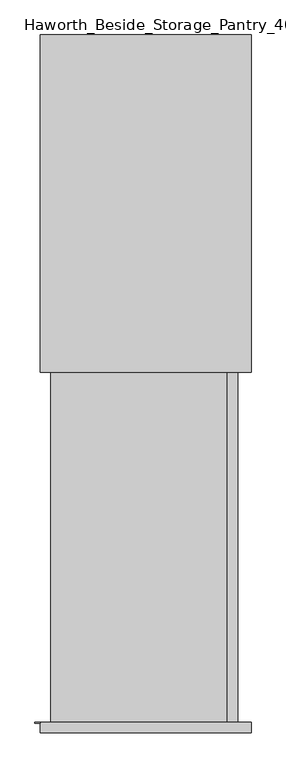
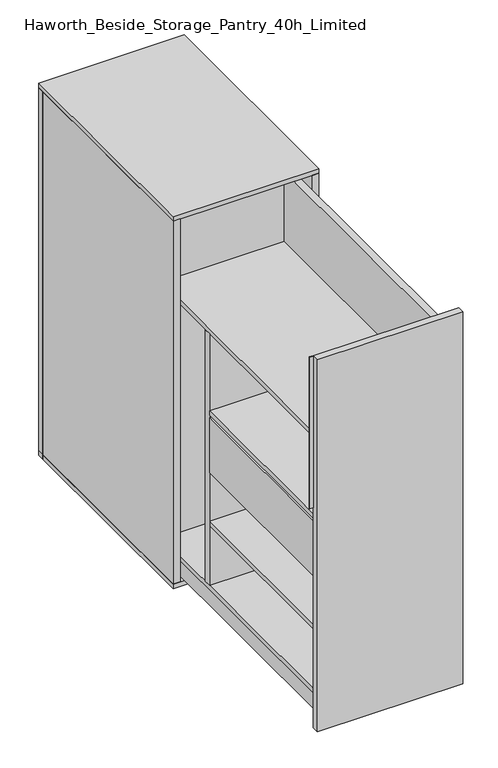
"""IFC4 building model written with IfcOpenShell, lengths in millimetres: furniture geometry, Haworth_Beside_Storage_Pantry_40h_Limited."""

from ifc_helpers import new_model, si_unit, frame, origin, origin_with_axes, place, context, project, spatial, polyline, outline, extrude, source, transform, mapped, element, save


def haworth_beside_storage_pantry_40h_limited_c2f7b44b(model_context):
    return source(origin(), model_context, "Body", "SweptSolid", [
        extrude(outline(polyline([(140.1283834, -736.6), (140.1283834, -1238.25), (-179.0267264, -1238.25), (-179.0267264, -736.6), (140.1283834, -736.6)])), frame((0.0, 0.0, 393.8689694), z_axis=(0.0, 0.0, 1.0), x_axis=(1.0, 0.0, 0.0)), (0.0, 0.0, 1.0), 152.4),
        extrude(outline(polyline([(140.1283834, -736.6), (140.1283834, -1238.25), (-179.0267264, -1238.25), (-179.0267264, -736.6), (140.1283834, -736.6)])), frame((0.0, 0.0, 552.6189694), z_axis=(0.0, 0.0, 1.0), x_axis=(1.0, 0.0, 0.0)), (0.0, 0.0, 1.0), 12.7),
        extrude(outline(polyline([(-179.0267264, -717.55), (140.1283834, -717.55), (140.1283834, -736.6), (-179.0267264, -736.6), (-179.0267264, -717.55)])), frame((0.0, 0.0, 82.55), z_axis=(0.0, 0.0, 1.0), x_axis=(1.0, 0.0, 0.0)), (0.0, 0.0, 1.0), 695.8955106),
        extrude(outline(polyline([(-207.9518975, -1238.25), (-198.0767264, -1238.25), (-198.0767264, -1239.9927284), (-207.9518975, -1239.9927284), (-207.9518975, -1238.25)])), frame((0.0, 0.0, 609.6), z_axis=(0.0, 0.0, 1.0), x_axis=(1.0, 0.0, 0.0)), (0.0, 0.0, 1.0), 419.1),
        extrude(outline(polyline([(140.1283834, -520.7), (140.1283834, -1238.25), (-179.0267264, -1238.25), (-179.0267264, -520.7), (140.1283834, -520.7)])), frame((0.0, 0.0, 69.85), z_axis=(0.0, 0.0, 1.0), x_axis=(1.0, 0.0, 0.0)), (0.0, 0.0, 1.0), 12.7),
        extrude(outline(polyline([(140.1283834, -736.6), (140.1283834, -1238.25), (-179.0267264, -1238.25), (-179.0267264, -736.6), (140.1283834, -736.6)])), frame((0.0, 0.0, 247.8189694), z_axis=(0.0, 0.0, 1.0), x_axis=(1.0, 0.0, 0.0)), (0.0, 0.0, 1.0), 12.7),
        extrude(outline(polyline([(140.1283834, -520.7), (140.1283834, -1238.25), (-179.0267264, -1238.25), (-179.0267264, -520.7), (140.1283834, -520.7)])), frame((0.0, 0.0, 778.4455106), z_axis=(0.0, 0.0, 1.0), x_axis=(1.0, 0.0, 0.0)), (0.0, 0.0, 1.0), 12.7),
        extrude(outline(polyline([(-145.6216166, -501.65), (-145.6216166, -1238.25), (-172.6767264, -1238.25), (-172.6767264, -501.65), (-145.6216166, -501.65)])), frame((0.0, 0.0, 19.05), z_axis=(0.0, 0.0, 1.0), x_axis=(1.0, 0.0, 0.0)), (0.0, 0.0, 1.0), 50.8),
        extrude(outline(polyline([(-179.0267264, -501.65), (140.1283834, -501.65), (140.1283834, -520.7), (-179.0267264, -520.7), (-179.0267264, -501.65)])), frame((0.0, 0.0, 12.7), z_axis=(0.0, 0.0, 1.0), x_axis=(1.0, 0.0, 0.0)), (0.0, 0.0, 1.0), 971.55),
        extrude(outline(polyline([(159.1783834, -501.65), (159.1783834, -1238.25), (140.1283834, -1238.25), (140.1283834, -501.65), (159.1783834, -501.65)])), frame((0.0, 0.0, 19.05), z_axis=(0.0, 0.0, 1.0), x_axis=(1.0, 0.0, 0.0)), (0.0, 0.0, 1.0), 965.2),
        extrude(outline(polyline([(163.8732736, -13.9628587), (163.8732736, -604.5128587), (-198.0767264, -604.5128587), (-198.0767264, -13.9628587), (163.8732736, -13.9628587)])), origin_with_axes(), (0.0, 0.0, 1.0), 12.7),
        extrude(outline(polyline([(182.9232736, -1257.3), (-198.0767264, -1257.3), (-198.0767264, -1238.25), (182.9232736, -1238.25), (182.9232736, -1257.3)])), origin_with_axes(), (0.0, 0.0, 1.0), 1028.7),
        extrude(outline(polyline([(-198.0767264, -604.5128587), (-198.0767264, 5.0871413), (-179.0267264, 5.0871413), (-179.0267264, -604.5128587), (-198.0767264, -604.5128587)])), frame((0.0, 0.0, 12.7), z_axis=(0.0, 0.0, 1.0), x_axis=(1.0, 0.0, 0.0)), (0.0, 0.0, 1.0), 1003.3),
        extrude(outline(polyline([(182.9232736, -604.5128587), (163.8732736, -604.5128587), (163.8732736, 5.0871413), (182.9232736, 5.0871413), (182.9232736, -604.5128587)])), frame((0.0, 0.0, 12.7), z_axis=(0.0, 0.0, 1.0), x_axis=(1.0, 0.0, 0.0)), (0.0, 0.0, 1.0), 1003.3),
        extrude(outline(polyline([(182.9232736, 5.0871413), (182.9232736, -13.9628587), (-198.0767264, -13.9628587), (-198.0767264, 5.0871413), (182.9232736, 5.0871413)])), origin_with_axes(), (0.0, 0.0, 1.0), 1016.0),
        extrude(outline(polyline([(182.9232736, 5.0871413), (182.9232736, -604.5128587), (-198.0767264, -604.5128587), (-198.0767264, 5.0871413), (182.9232736, 5.0871413)])), frame((0.0, 0.0, 1016.0), z_axis=(0.0, 0.0, 1.0), x_axis=(1.0, 0.0, 0.0)), (0.0, 0.0, 1.0), 12.7),
    ])


if __name__ == "__main__":
    model = new_model("IFC4")
    model_context = context("Model", 3, world=origin())
    ifc_project = project(units=[si_unit("LENGTHUNIT", "METRE", prefix="MILLI")], contexts=[model_context])
    site = spatial("IfcSite", under=ifc_project)
    building = spatial("IfcBuilding", under=site)
    placement = place(None, origin())
    haworth_beside_storage_pantry_40h_limited_shape = haworth_beside_storage_pantry_40h_limited_c2f7b44b(model_context)
    element("IfcFurniture", 1, ObjectType="Haworth_Beside_Storage_Pantry_40h_Limited", at=placement, inside=building, context=model_context, shape_type="MappedRepresentation", body=[
        mapped(haworth_beside_storage_pantry_40h_limited_shape, transform((0.0, 0.0, 0.0), x_axis=(1.0, 0.0, 0.0), y_axis=(0.0, 1.0, 0.0), z_axis=(0.0, 0.0, 1.0))),
    ])
    save(model, "model.ifc")
